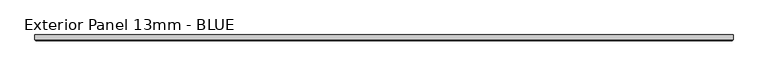
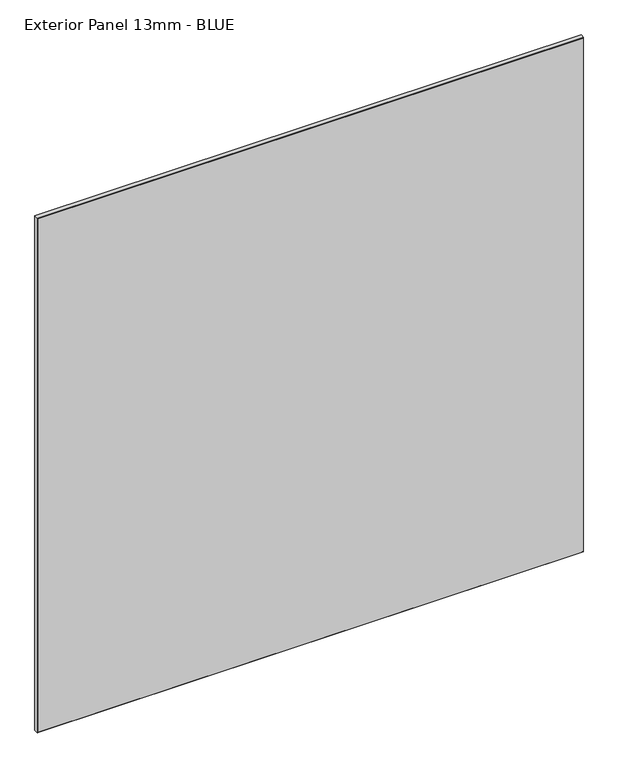
"""IFC4 building model written with IfcOpenShell, lengths in millimetres: proxy geometry, Exterior Panel 13mm - BLUE."""

import ifcopenshell
import ifcopenshell.guid

model = None  # the IFC model being written
_history = None  # IfcOwnerHistory: only IFC2X3 demands one
_inside = {}  # id of a spatial element -> (the spatial element, [elements in it])
_under = {}  # id of a project, library or spatial element -> (it, [spatial elements below it])
_declared = {}  # id of a project -> (the project, [libraries it declares])
_typed = {}  # id of a type object -> (the type object, [elements of that type])
_made_of = {}  # id of a material, layer set ... -> (it, [elements and type objects made of it])


def new_model(schema):
    """Start an empty IFC model of exactly this schema.

    Asked for "IFC4X3", IfcOpenShell would pick the latest addendum, in which some entities
    have other attributes; the version numbers below select the first issue.
    IFC2X3 requires an IfcOwnerHistory on every rooted entity: one is made here for all.
    """
    global model, _history
    if schema == "IFC4X3":
        model = ifcopenshell.file(schema_version=(4, 3, 0, 0))
    else:
        model = ifcopenshell.file(schema=schema)
    _inside.clear()
    _under.clear()
    _declared.clear()
    _typed.clear()
    _made_of.clear()
    _history = None
    if model.schema == "IFC2X3":
        org = make("IfcOrganization", Name="unknown")
        user = make(
            "IfcPersonAndOrganization",
            ThePerson=make("IfcPerson", FamilyName="unknown"),
            TheOrganization=org,
        )
        app = make(
            "IfcApplication",
            ApplicationDeveloper=org,
            Version="unknown",
            ApplicationFullName="unknown",
            ApplicationIdentifier="unknown",
        )
        _history = make(
            "IfcOwnerHistory",
            OwningUser=user,
            OwningApplication=app,
            ChangeAction="ADDED",
            CreationDate=0,
        )
    return model


def make(cls, **values):
    """One entity of the class cls with the attributes given. An attribute that is None is left unset."""
    return model.create_entity(
        cls, **{name: value for name, value in values.items() if value is not None}
    )


def rooted(cls, **values):
    """An entity with a GlobalId (a new one), such as an element, a storey or a relation."""
    return make(cls, GlobalId=ifcopenshell.guid.new(), OwnerHistory=_history, **values)


def si_unit(unit_type, name, prefix=None):
    """IfcSIUnit, for example si_unit("LENGTHUNIT", "METRE", prefix="MILLI")."""
    return make("IfcSIUnit", UnitType=unit_type, Prefix=prefix, Name=name)


def assignment(units):
    """IfcUnitAssignment: the units of a project."""
    return None if units is None else make("IfcUnitAssignment", Units=units)


def point(xyz):
    """IfcCartesianPoint."""
    return None if xyz is None else make("IfcCartesianPoint", Coordinates=xyz)


def direction(xyz):
    """IfcDirection."""
    return None if xyz is None else make("IfcDirection", DirectionRatios=xyz)


def frame(location, z_axis=None, x_axis=None):
    """IfcAxis2Placement3D, a coordinate frame: its origin and axes. An axis left out is left unset."""
    return make(
        "IfcAxis2Placement3D",
        Location=point(location),
        Axis=direction(z_axis),
        RefDirection=direction(x_axis),
    )


def origin():
    """The frame at (0, 0, 0) with its axes left unset."""
    return frame((0.0, 0.0, 0.0))


def place(relative_to, where):
    """IfcLocalPlacement: puts the frame where relative to a parent placement (None: the world)."""
    return make(
        "IfcLocalPlacement", PlacementRelTo=relative_to, RelativePlacement=where
    )


def context(
    kind, dimensions, precision=None, world=None, true_north=None, identifier=None
):
    """IfcGeometricRepresentationContext, for example the 3D "Model" context."""
    return make(
        "IfcGeometricRepresentationContext",
        ContextIdentifier=identifier,
        ContextType=kind,
        CoordinateSpaceDimension=dimensions,
        Precision=precision,
        WorldCoordinateSystem=world,
        TrueNorth=true_north,
    )


def project(units=None, contexts=None):
    """IfcProject with its units and contexts."""
    return rooted(
        "IfcProject",
        Name="project",
        RepresentationContexts=contexts,
        UnitsInContext=assignment(units),
    )


def spatial(cls, under=None, at=None, **own):
    """A site, building, storey or space (cls), placed at a placement, below another one or the project."""
    s = rooted(cls, ObjectPlacement=at, **own)
    if under is not None:
        _under.setdefault(under.id(), (under, []))[1].append(s)
    return s


def faces_of(points, faces, orient=None, outer=None):
    """IfcFace entities. A face is a list of loops; a loop is a list of indices into points, from 0.

    orient and outer hold one flag for each loop. By default every Orientation is true, the
    first loop of a face is its IfcFaceOuterBound and the others are IfcFaceBound.
    """
    made = []
    for i, loops in enumerate(faces):
        bounds = []
        for j, loop in enumerate(loops):
            is_outer = j == 0 if outer is None else outer[i][j]
            bounds.append(
                make(
                    "IfcFaceOuterBound" if is_outer else "IfcFaceBound",
                    Bound=make("IfcPolyLoop", Polygon=[points[k] for k in loop]),
                    Orientation=True if orient is None else orient[i][j],
                )
            )
        made.append(make("IfcFace", Bounds=bounds))
    return made


def faceted_brep(points, faces, orient=None, outer=None, voids=None):
    """IfcFacetedBrep: a solid bounded by flat faces; with voids (closed shells), ...WithVoids."""
    shared = [point(p) for p in points]
    hull = make("IfcClosedShell", CfsFaces=faces_of(shared, faces, orient, outer))
    if voids is None:
        return make("IfcFacetedBrep", Outer=hull)
    return make(
        "IfcFacetedBrepWithVoids",
        Outer=hull,
        Voids=[
            make(cls, CfsFaces=faces_of(shared, fs, o, b)) for cls, fs, o, b in voids
        ],
    )


def shape(context_of_items, identifier, shape_type, items):
    """IfcShapeRepresentation: the items that make up one representation, for example the "Body"."""
    return make(
        "IfcShapeRepresentation",
        ContextOfItems=context_of_items,
        RepresentationIdentifier=identifier,
        RepresentationType=shape_type,
        Items=items,
    )


def source(mapping_origin, context_of_items, identifier, shape_type, items):
    """IfcRepresentationMap: a shape defined once, which mapped items show again and again."""
    return make(
        "IfcRepresentationMap",
        MappingOrigin=mapping_origin,
        MappedRepresentation=shape(context_of_items, identifier, shape_type, items),
    )


def transform(
    local_origin,
    x_axis=None,
    y_axis=None,
    z_axis=None,
    scale=None,
    scale2=None,
    scale3=None,
    uniform=True,
):
    """IfcCartesianTransformationOperator3D, or its non-uniform kind. x_axis, y_axis, z_axis: its Axis1, 2, 3."""
    if uniform:
        return make(
            "IfcCartesianTransformationOperator3D",
            Axis1=direction(x_axis),
            Axis2=direction(y_axis),
            LocalOrigin=point(local_origin),
            Scale=scale,
            Axis3=direction(z_axis),
        )
    return make(
        "IfcCartesianTransformationOperator3DnonUniform",
        Axis1=direction(x_axis),
        Axis2=direction(y_axis),
        LocalOrigin=point(local_origin),
        Scale=scale,
        Axis3=direction(z_axis),
        Scale2=scale2,
        Scale3=scale3,
    )


def mapped(mapping_source, mapping_target):
    """IfcMappedItem: shows the shape of a source again, moved by a transform."""
    return make(
        "IfcMappedItem", MappingSource=mapping_source, MappingTarget=mapping_target
    )


def made_of(thing, what):
    """Note that an element or type object is made of a material, layer set ...; save() writes the relation."""
    if what is not None:
        _made_of.setdefault(what.id(), (what, []))[1].append(thing)
    return thing


def element(
    cls,
    number,
    at=None,
    inside=None,
    cuts=None,
    type_object=None,
    material=None,
    context=None,
    identifier="Body",
    shape_type=None,
    held_by="IfcProductDefinitionShape",
    body=None,
    shapes=None,
    **own,
):
    """One element of the class cls, such as IfcWall. Its Tag is "e" and its number.

    at: its placement. inside: the storey or other place that contains it. cuts: it is an
    opening in that element (IfcRelVoidsElement). A single representation is given by context,
    identifier, shape_type and body (its items); several are given by shapes. held_by: the class
    of the entity that holds the representations. save() writes the other relations.
    """
    e = rooted(cls, Tag="e%d" % number, ObjectPlacement=at, **own)
    if body is not None:
        shapes = [shape(context, identifier, shape_type, body)]
    if shapes is not None:
        e.Representation = make(held_by, Representations=shapes)
    if inside is not None:
        _inside.setdefault(inside.id(), (inside, []))[1].append(e)
    if cuts is not None:
        rooted(
            "IfcRelVoidsElement", RelatingBuildingElement=cuts, RelatedOpeningElement=e
        )
    if type_object is not None:
        _typed.setdefault(type_object.id(), (type_object, []))[1].append(e)
    return made_of(e, material)


def aggregate(whole, parts):
    """IfcRelAggregates: a whole, such as a stair, and the parts it consists of."""
    return rooted("IfcRelAggregates", RelatingObject=whole, RelatedObjects=parts)


def save(model, path):
    """Write the relations noted so far, then the file.

    IfcRelAggregates (storeys below a building ...), IfcRelContainedInSpatialStructure (elements
    in a storey), IfcRelDefinesByType, IfcRelAssociatesMaterial and IfcRelDeclares: one each for
    every whole, place, type object, material and project.
    """
    for whole, parts in _under.values():
        aggregate(whole, parts)
    for where, things in _inside.values():
        rooted(
            "IfcRelContainedInSpatialStructure",
            RelatedElements=things,
            RelatingStructure=where,
        )
    for kind, things in _typed.values():
        rooted("IfcRelDefinesByType", RelatedObjects=things, RelatingType=kind)
    for what, things in _made_of.values():
        rooted("IfcRelAssociatesMaterial", RelatedObjects=things, RelatingMaterial=what)
    for by, libraries in _declared.values():
        rooted("IfcRelDeclares", RelatingContext=by, RelatedDefinitions=libraries)
    model.write(path)


def exterior_panel_13mm_blue_5273d308(model_context):
    return source(origin(), model_context, "Body", "Brep", [
        faceted_brep([(1125.5375, 6.35, 1524.0), (-406.4, 6.35, 1524.0), (-406.4, -4.7625, 1524.0), (1125.5375, -4.7625, 1524.0), (1125.5375, 6.35, 0.0), (1125.5375, -4.7625, 0.0), (-406.4, -4.7625, 0.0), (-406.4, 6.35, 0.0), (-404.8125, -6.35, 1522.4125), (-404.8125, -6.35, 1.5875), (1123.95, -6.35, 1.5875), (1123.95, -6.35, 1522.4125)], [[[0, 1, 2, 3]], [[4, 5, 6, 7]], [[1, 0, 4, 7]], [[2, 1, 7, 6]], [[8, 9, 10, 11]], [[0, 3, 5, 4]], [[2, 6, 9, 8]], [[5, 3, 11, 10]], [[3, 2, 8, 11]], [[6, 5, 10, 9]]]),
    ])


if __name__ == "__main__":
    model = new_model("IFC4")
    model_context = context("Model", 3, world=origin())
    ifc_project = project(units=[si_unit("LENGTHUNIT", "METRE", prefix="MILLI")], contexts=[model_context])
    site = spatial("IfcSite", under=ifc_project)
    building = spatial("IfcBuilding", under=site)
    placement = place(None, origin())
    exterior_panel_13mm_blue_shape = exterior_panel_13mm_blue_5273d308(model_context)
    element("IfcBuildingElementProxy", 1, Name="Exterior Panel 13mm - BLUE", ObjectType="Exterior Panel 13mm - BLUE", at=placement, inside=building, context=model_context, shape_type="MappedRepresentation", body=[
        mapped(exterior_panel_13mm_blue_shape, transform((0.0, 0.0, 0.0), x_axis=(1.0, 0.0, 0.0), y_axis=(0.0, 1.0, 0.0), z_axis=(0.0, 0.0, 1.0))),
    ])
    save(model, "model.ifc")
